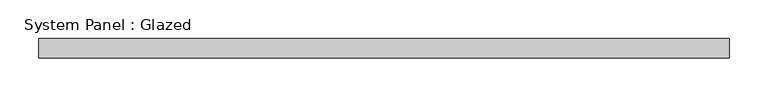
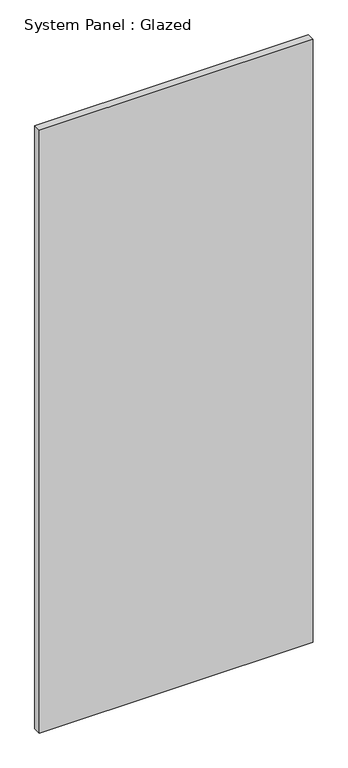
"""IFC4 building model written with IfcOpenShell, lengths in millimetres: plate geometry, System Panel : Glazed."""

from ifc_helpers import new_model, si_unit, origin, origin_with_axes, place, context, project, spatial, polyline, outline, extrude, source, transform, mapped, element, save


def system_panel_glazed_475435c1(model_context):
    return source(origin(), model_context, "Body", "SweptSolid", [
        extrude(outline(polyline([(446.2816244, 19.05), (-446.2816244, 19.05), (-446.2816244, 44.45), (446.2816244, 44.45), (446.2816244, 19.05)])), origin_with_axes(), (0.0, 0.0, 1.0), 2076.45),
    ])


if __name__ == "__main__":
    model = new_model("IFC4")
    model_context = context("Model", 3, world=origin())
    ifc_project = project(units=[si_unit("LENGTHUNIT", "METRE", prefix="MILLI")], contexts=[model_context])
    site = spatial("IfcSite", under=ifc_project)
    building = spatial("IfcBuilding", under=site)
    placement = place(None, origin())
    system_panel_glazed_shape = system_panel_glazed_475435c1(model_context)
    element("IfcPlate", 1, ObjectType="System Panel : Glazed", at=placement, inside=building, context=model_context, shape_type="MappedRepresentation", body=[
        mapped(system_panel_glazed_shape, transform((0.0, 0.0, 0.0), x_axis=(1.0, 0.0, 0.0), y_axis=(0.0, 1.0, 0.0), z_axis=(0.0, 0.0, 1.0))),
    ])
    save(model, "model.ifc")
